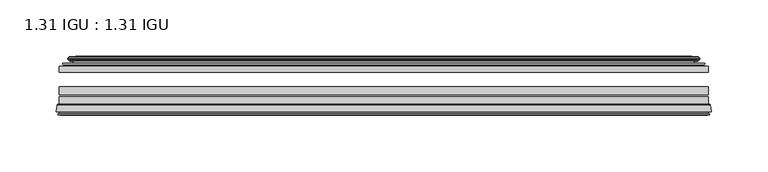
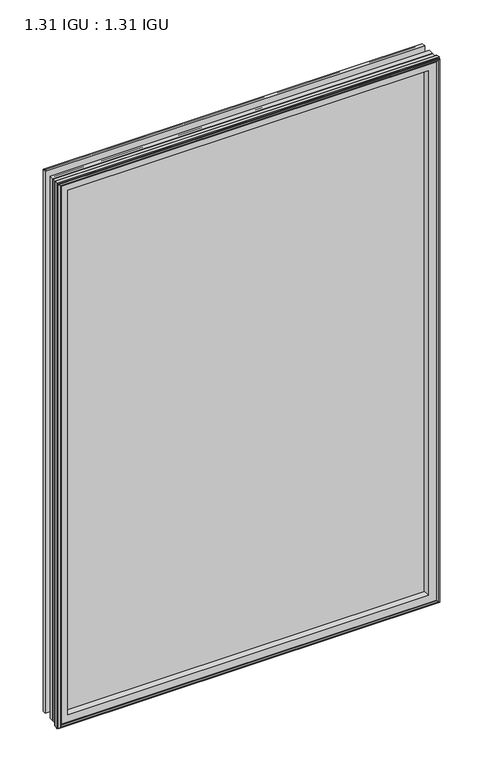
"""IFC4 building model written with IfcOpenShell, lengths in millimetres: plate geometry, 1.31 IGU : 1.31 IGU."""

from ifc_helpers import new_model, si_unit, frame, origin, place, context, project, spatial, polyline, ellipse_curve, outline, extrude, source, transform, mapped, element, save
from ifc_brep_helpers import plane_surface, cylinder_surface, revolved_surface, advanced_brep


def plate_1_31_igu_1_31_igu_87a71be9(model_context):
    return source(origin(), model_context, "Body", "SolidModel", [
        extrude(outline(polyline([(287.3325649, -44.8960875), (287.3325649, -50.4332875), (-287.3375, -50.4332875), (-287.3375, -44.8960875), (287.3325649, -44.8960875)])), frame((0.0, 0.0, -14.2875), z_axis=(0.0, 0.0, 1.0), x_axis=(1.0, 0.0, 0.0)), (0.0, 0.0, 1.0), 868.3488413),
        extrude(outline(polyline([(-287.3375, -78.7796875), (-287.3375, -71.7692875), (287.3325649, -71.7692875), (287.3325649, -78.7796875), (-287.3375, -78.7796875)])), frame((0.0, 0.0, -14.2875), z_axis=(0.0, 0.0, 1.0), x_axis=(1.0, 0.0, 0.0)), (0.0, 0.0, 1.0), 868.3488413),
        extrude(outline(polyline([(-287.3375, -70.2452875), (-287.3375, -63.1332875), (287.3325649, -63.1332875), (287.3325649, -70.2452875), (-287.3375, -70.2452875)])), frame((0.0, 0.0, -14.2875), z_axis=(0.0, 0.0, 1.0), x_axis=(1.0, 0.0, 0.0)), (0.0, 0.0, 1.0), 868.3488413),
        advanced_brep(
        [(-289.8844039, -85.1296875, 856.6082452), (-289.1896201, -79.4711276, 855.9134614), (-289.1896201, -79.4711276, -16.1396201), (-289.8844039, -85.1296875, -16.8344039), (-287.4968039, -87.1207518, 854.2206452), (-287.9540039, -85.1296875, 854.6778452), (-287.9540039, -85.1296875, -14.9040039), (-287.4968039, -87.1207518, -14.4468039), (-288.4981658, -86.8524376, 855.222007), (-288.4981658, -86.8524376, -15.4481658), (-288.7414039, -87.7602147, 855.4652452), (-288.7414039, -87.7602147, -15.6914039), (-286.7094039, -88.3046875, 853.4332452), (-286.7094039, -88.3046875, -13.6594039), (-284.6774039, -87.7602147, 851.4012452), (-284.6774039, -87.7602147, -11.6274039), (-284.9206421, -86.8524376, 851.6444833), (-284.9206421, -86.8524376, -11.8706421), (-285.9220039, -87.1207518, 852.6458452), (-285.9220039, -87.1207518, -12.8720039), (-285.4648039, -85.1296875, 852.1886452), (-285.4648039, -85.1296875, -12.4148039), (-288.4080893, -78.7796875, 855.1319306), (-288.4080893, -78.7796875, -15.3580893), (289.1896201, -79.4711276, -16.1396201), (289.8844039, -85.1296875, -16.8344039), (287.9540039, -85.1296875, -14.9040039), (287.4968039, -87.1207518, -14.4468039), (288.4981658, -86.8524376, -15.4481658), (288.7414039, -87.7602147, -15.6914039), (286.7094039, -88.3046875, -13.6594039), (284.6774039, -87.7602147, -11.6274039), (284.9206421, -86.8524376, -11.8706421), (285.9220039, -87.1207518, -12.8720039), (285.4648039, -85.1296875, -12.4148039), (288.4080893, -78.7796875, -15.3580893), (289.1896201, -79.4711276, 855.9134614), (289.8844039, -85.1296875, 856.6082452), (287.9540039, -85.1296875, 854.6778452), (287.4968039, -87.1207518, 854.2206452), (288.4981658, -86.8524376, 855.222007), (288.7414039, -87.7602147, 855.4652452), (286.7094039, -88.3046875, 853.4332452), (284.6774039, -87.7602147, 851.4012452), (284.9206421, -86.8524376, 851.6444833), (285.9220039, -87.1207518, 852.6458452), (285.4648039, -85.1296875, 852.1886452), (288.4080893, -78.7796875, 855.1319306), (-273.0622131, -85.1296875, 839.7860544), (273.0622131, -85.1296875, 839.7860544), (273.0622131, -85.1296875, -0.0122131), (-273.0622131, -85.1296875, -0.0122131), (-269.7459362, -78.7796875, 3.3040638), (269.7459362, -78.7796875, 3.3040638), (269.7459362, -78.7796875, 836.4697775), (-269.7459362, -78.7796875, 836.4697775)],
        [
            (0, 1),
            (1, 2),
            (2, 3),
            (3, 0),
            (4, 5),
            (5, 6),
            (6, 7),
            (7, 4),
            (8, 4),
            (7, 9),
            (9, 8),
            (10, 8),
            (9, 11),
            (11, 10),
            (12, 10),
            (11, 13),
            (13, 12),
            (14, 12),
            (13, 15),
            (15, 14),
            (16, 14),
            (15, 17),
            (17, 16),
            (18, 16),
            (17, 19),
            (19, 18),
            (20, 18),
            (19, 21),
            (21, 20),
            (1, 22, ellipse_curve(frame((-288.4080893, -79.5670875, 855.1319306), z_axis=(-0.7071067811865475, 0.0, -0.7071067811865475), x_axis=(-0.7071067811865474, 0.0, 0.7071067811865476)), 1.1135518, 0.7874)),
            (22, 23),
            (23, 2, ellipse_curve(frame((-288.4080893, -79.5670875, -15.3580893), z_axis=(-0.7071067811865475, 0.0, 0.7071067811865475), x_axis=(0.7071067811865474, 0.0, 0.7071067811865476)), 1.1135518, 0.7874)),
            (2, 24),
            (24, 25),
            (25, 3),
            (6, 26),
            (26, 27),
            (27, 7),
            (27, 28),
            (28, 9),
            (28, 29),
            (29, 11),
            (29, 30),
            (30, 13),
            (30, 31),
            (31, 15),
            (31, 32),
            (32, 17),
            (32, 33),
            (33, 19),
            (33, 34),
            (34, 21),
            (23, 35),
            (35, 24, ellipse_curve(frame((288.4080893, -79.5670875, -15.3580893), z_axis=(-0.7071067811865475, 0.0, -0.7071067811865475), x_axis=(-0.7071067811865476, 0.0, 0.7071067811865474)), 1.1135518, 0.7874)),
            (24, 36),
            (36, 37),
            (37, 25),
            (26, 38),
            (38, 39),
            (39, 27),
            (39, 40),
            (40, 28),
            (40, 41),
            (41, 29),
            (41, 42),
            (42, 30),
            (42, 43),
            (43, 31),
            (43, 44),
            (44, 32),
            (44, 45),
            (45, 33),
            (45, 46),
            (46, 34),
            (35, 47),
            (47, 36, ellipse_curve(frame((288.4080893, -79.5670875, 855.1319306), z_axis=(0.7071067811865475, 0.0, -0.7071067811865475), x_axis=(-0.7071067811865474, 0.0, -0.7071067811865476)), 1.1135518, 0.7874)),
            (36, 1),
            (0, 37),
            (5, 38),
            (4, 39),
            (8, 40),
            (10, 41),
            (12, 42),
            (14, 43),
            (16, 44),
            (18, 45),
            (20, 46),
            (48, 49),
            (49, 50),
            (50, 51),
            (51, 48),
            (22, 47),
            (52, 53),
            (53, 54),
            (54, 55),
            (55, 52),
            (55, 48, ellipse_curve(frame((-261.8129182, -86.963653, 828.5367595), z_axis=(0.7071067811865475, 0.0, 0.7071067811865475), x_axis=(0.7071067811865474, 0.0, -0.7071067811865476)), 16.118937, 11.3978097)),
            (51, 52, ellipse_curve(frame((-261.8129182, -86.963653, 11.2370818), z_axis=(0.7071067811865475, 0.0, -0.7071067811865475), x_axis=(-0.7071067811865474, 0.0, -0.7071067811865476)), 16.118937, 11.3978097)),
            (50, 53, ellipse_curve(frame((261.8129182, -86.963653, 11.2370818), z_axis=(0.7071067811865475, 0.0, 0.7071067811865475), x_axis=(0.7071067811865476, 0.0, -0.7071067811865474)), 16.118937, 11.3978097)),
            (49, 54, ellipse_curve(frame((261.8129182, -86.963653, 828.5367595), z_axis=(-0.7071067811865475, 0.0, 0.7071067811865475), x_axis=(0.7071067811865474, 0.0, 0.7071067811865476)), 16.118937, 11.3978097)),
        ],
        [
            plane_surface(frame((-289.1896201, -79.4711276, 855.9134614), z_axis=(-0.9925461516413008, 0.12186934340532066, 0.0), x_axis=(0.0, 0.0, -1.0))),
            plane_surface(frame((-287.9540039, -85.1296875, 854.6778452), z_axis=(-0.9746347637895996, -0.22380142361654334, 0.0), x_axis=(0.0, 0.0, -1.0))),
            plane_surface(frame((-287.4968039, -87.1207518, 854.2206452), z_axis=(0.25881904510266784, 0.9659258262890289, 0.0), x_axis=(0.0, 0.0, -1.0))),
            plane_surface(frame((-288.4981658, -86.8524376, 855.222007), z_axis=(-0.9659258262890449, 0.2588190451026083, 0.0), x_axis=(0.0, 0.0, -1.0))),
            plane_surface(frame((-288.7414039, -87.7602147, 855.4652452), z_axis=(-0.2588190451025689, -0.9659258262890554, 0.0), x_axis=(0.0, 0.0, -1.0))),
            plane_surface(frame((-286.7094039, -88.3046875, 853.4332452), z_axis=(0.25881904510241466, -0.9659258262890968, 0.0), x_axis=(0.0, 0.0, -1.0))),
            plane_surface(frame((-284.6774039, -87.7602147, 851.4012452), z_axis=(0.9659258262890272, 0.25881904510267406, 0.0), x_axis=(0.0, 0.0, -1.0))),
            plane_surface(frame((-284.9206421, -86.8524376, 851.6444833), z_axis=(-0.25881904510234177, 0.9659258262891163, 0.0), x_axis=(0.0, 0.0, -1.0))),
            plane_surface(frame((-285.9220039, -87.1207518, 852.6458452), z_axis=(0.9746347637895937, -0.22380142361656946, 0.0), x_axis=(0.0, 0.0, -1.0))),
            cylinder_surface(frame((-288.4080893, -79.5670875, 871.5238413), z_axis=(0.0, 0.0, 1.0), x_axis=(-1.0, 0.0, 0.0)), 0.7874),
            plane_surface(frame((-289.1896201, -79.4711276, -16.1396201), z_axis=(0.0, 0.12186934340531747, -0.9925461516413012), x_axis=(1.0, 0.0, 0.0))),
            plane_surface(frame((-287.9540039, -85.1296875, -14.9040039), z_axis=(0.0, -0.22380142361654648, -0.9746347637895989), x_axis=(1.0, 0.0, 0.0))),
            plane_surface(frame((-287.4968039, -87.1207518, -14.4468039), z_axis=(0.0, 0.9659258262890298, 0.25881904510266474), x_axis=(1.0, 0.0, 0.0))),
            plane_surface(frame((-288.4981658, -86.8524376, -15.4481658), z_axis=(0.0, 0.25881904510260517, -0.9659258262890458), x_axis=(1.0, 0.0, 0.0))),
            plane_surface(frame((-288.7414039, -87.7602147, -15.6914039), z_axis=(0.0, -0.9659258262890563, -0.2588190451025658), x_axis=(1.0, 0.0, 0.0))),
            plane_surface(frame((-286.7094039, -88.3046875, -13.6594039), z_axis=(0.0, -0.965925826289096, 0.25881904510241777), x_axis=(1.0, 0.0, 0.0))),
            plane_surface(frame((-284.6774039, -87.7602147, -11.6274039), z_axis=(0.0, 0.2588190451026772, 0.9659258262890265), x_axis=(1.0, 0.0, 0.0))),
            plane_surface(frame((-284.9206421, -86.8524376, -11.8706421), z_axis=(0.0, 0.9659258262891154, -0.2588190451023449), x_axis=(1.0, 0.0, 0.0))),
            plane_surface(frame((-285.9220039, -87.1207518, -12.8720039), z_axis=(0.0, -0.22380142361656633, 0.9746347637895943), x_axis=(1.0, 0.0, 0.0))),
            cylinder_surface(frame((-304.8, -79.5670875, -15.3580893), z_axis=(-1.0, 0.0, 0.0), x_axis=(0.0, 0.0, -1.0)), 0.7874),
            plane_surface(frame((289.1896201, -79.4711276, -16.1396201), z_axis=(0.9925461516413017, 0.12186934340531427, 0.0), x_axis=(0.0, 0.0, 1.0))),
            plane_surface(frame((287.9540039, -85.1296875, -14.9040039), z_axis=(0.9746347637895982, -0.22380142361654962, 0.0), x_axis=(0.0, 0.0, 1.0))),
            plane_surface(frame((287.4968039, -87.1207518, -14.4468039), z_axis=(-0.2588190451026616, 0.9659258262890307, 0.0), x_axis=(0.0, 0.0, 1.0))),
            plane_surface(frame((288.4981658, -86.8524376, -15.4481658), z_axis=(0.9659258262890467, 0.25881904510260206, 0.0), x_axis=(0.0, 0.0, 1.0))),
            plane_surface(frame((288.7414039, -87.7602147, -15.6914039), z_axis=(0.2588190451025627, -0.9659258262890572, 0.0), x_axis=(0.0, 0.0, 1.0))),
            plane_surface(frame((286.7094039, -88.3046875, -13.6594039), z_axis=(-0.2588190451024209, -0.9659258262890951, 0.0), x_axis=(0.0, 0.0, 1.0))),
            plane_surface(frame((284.6774039, -87.7602147, -11.6274039), z_axis=(-0.9659258262890256, 0.25881904510268033, 0.0), x_axis=(0.0, 0.0, 1.0))),
            plane_surface(frame((284.9206421, -86.8524376, -11.8706421), z_axis=(0.25881904510234804, 0.9659258262891146, 0.0), x_axis=(0.0, 0.0, 1.0))),
            plane_surface(frame((285.9220039, -87.1207518, -12.8720039), z_axis=(-0.974634763789595, -0.2238014236165632, 0.0), x_axis=(0.0, 0.0, 1.0))),
            cylinder_surface(frame((288.4080893, -79.5670875, -31.75), z_axis=(0.0, 0.0, -1.0), x_axis=(1.0, 0.0, 0.0)), 0.7874),
            plane_surface(frame((289.1896201, -79.4711276, 855.9134614), z_axis=(0.0, 0.12186934340531747, 0.9925461516413012), x_axis=(-1.0, 0.0, 0.0))),
            plane_surface(frame((289.8844039, -85.1296875, 856.6082452), z_axis=(0.0, -1.0, 0.0), x_axis=(-1.0, 0.0, 0.0))),
            plane_surface(frame((287.9540039, -85.1296875, 854.6778452), z_axis=(0.0, -0.22380142361654648, 0.9746347637895989), x_axis=(-1.0, 0.0, 0.0))),
            plane_surface(frame((287.4968039, -87.1207518, 854.2206452), z_axis=(0.0, 0.9659258262890298, -0.25881904510266474), x_axis=(-1.0, 0.0, 0.0))),
            plane_surface(frame((288.4981658, -86.8524376, 855.222007), z_axis=(0.0, 0.25881904510260517, 0.9659258262890458), x_axis=(-1.0, 0.0, 0.0))),
            plane_surface(frame((288.7414039, -87.7602147, 855.4652452), z_axis=(0.0, -0.9659258262890563, 0.2588190451025658), x_axis=(-1.0, 0.0, 0.0))),
            plane_surface(frame((286.7094039, -88.3046875, 853.4332452), z_axis=(0.0, -0.965925826289096, -0.25881904510241777), x_axis=(-1.0, 0.0, 0.0))),
            plane_surface(frame((284.6774039, -87.7602147, 851.4012452), z_axis=(0.0, 0.2588190451026772, -0.9659258262890265), x_axis=(-1.0, 0.0, 0.0))),
            plane_surface(frame((284.9206421, -86.8524376, 851.6444833), z_axis=(0.0, 0.9659258262891155, 0.25881904510234494), x_axis=(-1.0, 0.0, 0.0))),
            plane_surface(frame((285.9220039, -87.1207518, 852.6458452), z_axis=(0.0, -0.22380142361656633, -0.9746347637895943), x_axis=(-1.0, 0.0, 0.0))),
            plane_surface(frame((285.4648039, -85.1296875, 852.1886452), z_axis=(0.0, -1.0, 0.0), x_axis=(-1.0, 0.0, 0.0))),
            plane_surface(frame((269.7459362, -78.7796875, 836.4697775), z_axis=(0.0, 1.0, 0.0), x_axis=(-1.0, 0.0, 0.0))),
            cylinder_surface(frame((304.8, -79.5670875, 855.1319306), z_axis=(1.0, 0.0, 0.0), x_axis=(0.0, 0.0, 1.0)), 0.7874),
            revolved_surface(polyline([(-273.2107279, -86.963653, -0.1607278582187064), (-273.2107279, -86.963653, 839.9345691582188)]), (-261.8129182, -86.963653, 871.5238413), (0.0, 0.0, -1.0)),
            revolved_surface(polyline([(273.2107278582187, -86.963653, -0.16072789999999948), (-273.2107278582188, -86.963653, -0.16072789999999948)]), (-304.8, -86.963653, 11.2370818), (1.0, 0.0, 0.0)),
            revolved_surface(polyline([(273.2107279, -86.963653, 839.9345691582188), (273.2107279, -86.963653, -0.16072785821874191)]), (261.8129182, -86.963653, -31.75), (0.0, 0.0, 1.0)),
            revolved_surface(polyline([(-273.2107278582187, -86.963653, 839.9345692), (273.2107278582188, -86.963653, 839.9345692)]), (304.8, -86.963653, 828.5367595), (-1.0, 0.0, 0.0)),
        ],
        [
            (0, [[1, 2, 3, 4]]),
            (1, [[5, 6, 7, 8]]),
            (2, [[9, -8, 10, 11]]),
            (3, [[12, -11, 13, 14]]),
            (4, [[15, -14, 16, 17]]),
            (5, [[18, -17, 19, 20]]),
            (6, [[21, -20, 22, 23]]),
            (7, [[24, -23, 25, 26]]),
            (8, [[27, -26, 28, 29]]),
            (9, [[30, 31, 32, -2]]),
            (10, [[-3, 33, 34, 35]]),
            (11, [[-7, 36, 37, 38]]),
            (12, [[-10, -38, 39, 40]]),
            (13, [[-13, -40, 41, 42]]),
            (14, [[-16, -42, 43, 44]]),
            (15, [[-19, -44, 45, 46]]),
            (16, [[-22, -46, 47, 48]]),
            (17, [[-25, -48, 49, 50]]),
            (18, [[-28, -50, 51, 52]]),
            (19, [[-32, 53, 54, -33]]),
            (20, [[-34, 55, 56, 57]]),
            (21, [[-37, 58, 59, 60]]),
            (22, [[-39, -60, 61, 62]]),
            (23, [[-41, -62, 63, 64]]),
            (24, [[-43, -64, 65, 66]]),
            (25, [[-45, -66, 67, 68]]),
            (26, [[-47, -68, 69, 70]]),
            (27, [[-49, -70, 71, 72]]),
            (28, [[-51, -72, 73, 74]]),
            (29, [[-54, 75, 76, -55]]),
            (30, [[-56, 77, -1, 78]]),
            (31, [[-35, -57, -78, -4], [79, -58, -36, -6]]),
            (32, [[-59, -79, -5, 80]]),
            (33, [[-61, -80, -9, 81]]),
            (34, [[-63, -81, -12, 82]]),
            (35, [[-65, -82, -15, 83]]),
            (36, [[-67, -83, -18, 84]]),
            (37, [[-69, -84, -21, 85]]),
            (38, [[-71, -85, -24, 86]]),
            (39, [[-73, -86, -27, 87]]),
            (40, [[-52, -74, -87, -29], [88, 89, 90, 91]]),
            (41, [[92, -75, -53, -31], [93, 94, 95, 96]]),
            (42, [[-76, -92, -30, -77]]),
            (43, [[97, -91, 98, -96]]),
            (44, [[-98, -90, 99, -93]]),
            (45, [[-99, -89, 100, -94]]),
            (46, [[-100, -88, -97, -95]]),
        ],
    ),
        advanced_brep(
        [(-277.9921755, -37.7373382, 844.7160167), (-273.0505426, -36.3108875, 839.7743838), (-273.0505426, -36.3108875, -0.0005426), (-277.9921755, -37.7373382, -4.9421755), (-277.8270702, -36.9605789, 844.5509115), (-277.8270702, -36.9605789, -4.7770702), (-278.4225559, -36.4771203, 845.1463972), (-278.4225559, -36.4771203, -5.3725559), (-279.6871917, -37.766076, 846.411033), (-279.6871917, -37.766076, -6.6371917), (-279.6763749, -38.8797852, 846.4002162), (-279.6763749, -38.8797852, -6.6263749), (-278.3948897, -40.1361433, 845.118731), (-278.3948897, -40.1361433, -5.3448897), (-277.7898829, -39.649943, 844.5137242), (-277.7898829, -39.649943, -4.7398829), (-278.3438972, -39.0959287, 845.0677384), (-278.3438972, -39.0959287, -5.2938972), (-276.0580887, -38.7029881, 842.78193), (-276.0580887, -38.7029881, -3.0080887), (-274.5990157, -40.2107282, 841.3228569), (-274.5990157, -40.2107282, -1.5490157), (-274.8955976, -41.651269, 841.6194389), (-274.8955976, -41.651269, -1.8455976), (-275.6668221, -42.2798875, 842.3906633), (-275.6668221, -42.2798875, -2.6168221), (-283.9707984, -43.4871542, 850.6946396), (-283.6955969, -42.2798875, 850.4194382), (-283.6955969, -42.2798875, -10.6455969), (-283.9707984, -43.4871542, -10.9207984), (-280.5132297, -44.8960875, 847.237071), (-280.5132297, -44.8960875, -7.4632297), (-269.4156059, -44.023302, 836.1394472), (-269.7709439, -44.8960875, 836.4947851), (-269.7709439, -44.8960875, 3.2790561), (-269.4156059, -44.023302, 3.6343941), (-270.086804, -43.3681812, 836.8106452), (-270.086804, -43.3681812, 2.963196), (-271.7275946, -40.6686056, 838.4514358), (-271.7275946, -40.6686056, 1.3224054), (273.0505426, -36.3108875, -0.0005426), (277.9921755, -37.7373382, -4.9421755), (277.8270702, -36.9605789, -4.7770702), (278.4225559, -36.4771203, -5.3725559), (279.6871917, -37.766076, -6.6371917), (279.6763749, -38.8797852, -6.6263749), (278.3948897, -40.1361433, -5.3448897), (277.7898829, -39.649943, -4.7398829), (278.3438972, -39.0959287, -5.2938972), (276.0580887, -38.7029881, -3.0080887), (274.5990157, -40.2107282, -1.5490157), (274.8955976, -41.651269, -1.8455976), (275.6668221, -42.2798875, -2.6168221), (283.6955969, -42.2798875, -10.6455969), (283.9707984, -43.4871542, -10.9207984), (280.5132297, -44.8960875, -7.4632297), (269.7709439, -44.8960875, 3.2790561), (269.4156059, -44.023302, 3.6343941), (270.086804, -43.3681812, 2.963196), (271.7275946, -40.6686056, 1.3224054), (273.0505426, -36.3108875, 839.7743838), (277.9921755, -37.7373382, 844.7160167), (277.8270702, -36.9605789, 844.5509115), (278.4225559, -36.4771203, 845.1463972), (279.6871917, -37.766076, 846.411033), (279.6763749, -38.8797852, 846.4002162), (278.3948897, -40.1361433, 845.118731), (277.7898829, -39.649943, 844.5137242), (278.3438972, -39.0959287, 845.0677384), (276.0580887, -38.7029881, 842.78193), (274.5990157, -40.2107282, 841.3228569), (274.8955976, -41.651269, 841.6194389), (275.6668221, -42.2798875, 842.3906633), (283.6955969, -42.2798875, 850.4194382), (283.9707984, -43.4871542, 850.6946396), (280.5132297, -44.8960875, 847.237071), (269.7709439, -44.8960875, 836.4947851), (269.4156059, -44.023302, 836.1394472), (270.086804, -43.3681812, 836.8106452), (271.7275946, -40.6686056, 838.4514358)],
        [
            (0, 1),
            (1, 2),
            (2, 3),
            (3, 0),
            (4, 0),
            (3, 5),
            (5, 4),
            (6, 4, ellipse_curve(frame((-278.1475871, -36.746901, 844.8714284), z_axis=(-0.7071067811865475, 0.0, -0.7071067811865475), x_axis=(-0.7071067811865474, 0.0, 0.7071067811865476)), 0.5447741, 0.3852135)),
            (5, 7, ellipse_curve(frame((-278.1475871, -36.746901, -5.0975871), z_axis=(-0.7071067811865475, 0.0, 0.7071067811865475), x_axis=(0.7071067811865474, 0.0, 0.7071067811865476)), 0.5447741, 0.3852135)),
            (7, 6),
            (8, 6),
            (7, 9),
            (9, 8),
            (10, 8, ellipse_curve(frame((-279.1251387, -38.3175243, 845.8489799), z_axis=(-0.7071067811865475, 0.0, -0.7071067811865475), x_axis=(-0.7071067811865474, 0.0, 0.7071067811865476)), 1.1135518, 0.7874)),
            (9, 11, ellipse_curve(frame((-279.1251387, -38.3175243, -6.0751387), z_axis=(-0.7071067811865475, 0.0, 0.7071067811865475), x_axis=(0.7071067811865474, 0.0, 0.7071067811865476)), 1.1135518, 0.7874)),
            (11, 10),
            (12, 10),
            (11, 13),
            (13, 12),
            (14, 12, ellipse_curve(frame((-278.1212922, -39.8570738, 844.8451335), z_axis=(-0.7071067811865475, 0.0, -0.7071067811865475), x_axis=(-0.7071067811865474, 0.0, 0.7071067811865476)), 0.552694, 0.3908137)),
            (13, 15, ellipse_curve(frame((-278.1212922, -39.8570738, -5.0712922), z_axis=(-0.7071067811865475, 0.0, 0.7071067811865475), x_axis=(0.7071067811865474, 0.0, 0.7071067811865476)), 0.552694, 0.3908137)),
            (15, 14),
            (16, 14),
            (15, 17),
            (17, 16),
            (18, 16),
            (17, 19),
            (19, 18),
            (20, 18, ellipse_curve(frame((-275.8429261, -39.954629, 842.5667674), z_axis=(0.7071067811865475, 0.0, 0.7071067811865475), x_axis=(0.7071067811865474, 0.0, -0.7071067811865476)), 1.7960512, 1.27)),
            (19, 21, ellipse_curve(frame((-275.8429261, -39.954629, -2.7929261), z_axis=(0.7071067811865475, 0.0, -0.7071067811865475), x_axis=(-0.7071067811865474, 0.0, -0.7071067811865476)), 1.7960512, 1.27)),
            (21, 20),
            (22, 20),
            (21, 23),
            (23, 22),
            (24, 22, ellipse_curve(frame((-275.6668221, -41.4924875, 842.3906633), z_axis=(0.7071067811865475, 0.0, 0.7071067811865475), x_axis=(0.7071067811865474, 0.0, -0.7071067811865476)), 1.1135518, 0.7874)),
            (23, 25, ellipse_curve(frame((-275.6668221, -41.4924875, -2.6168221), z_axis=(0.7071067811865475, 0.0, -0.7071067811865475), x_axis=(-0.7071067811865474, 0.0, -0.7071067811865476)), 1.1135518, 0.7874)),
            (25, 24),
            (26, 27, ellipse_curve(frame((-283.6955969, -42.9148875, 850.4194382), z_axis=(-0.7071067811865475, 0.0, -0.7071067811865475), x_axis=(-0.7071067811865474, 0.0, 0.7071067811865476)), 0.8980256, 0.635)),
            (27, 28),
            (28, 29, ellipse_curve(frame((-283.6955969, -42.9148875, -10.6455969), z_axis=(-0.7071067811865475, 0.0, 0.7071067811865475), x_axis=(0.7071067811865474, 0.0, 0.7071067811865476)), 0.8980256, 0.635)),
            (29, 26),
            (30, 26),
            (29, 31),
            (31, 30),
            (32, 33, ellipse_curve(frame((-269.7709439, -44.3873602, 836.4947851), z_axis=(-0.7071067811865475, 0.0, -0.7071067811865475), x_axis=(-0.7071067811865474, 0.0, 0.7071067811865476)), 0.719449, 0.5087273)),
            (33, 34),
            (34, 35, ellipse_curve(frame((-269.7709439, -44.3873602, 3.2790561), z_axis=(-0.7071067811865475, 0.0, 0.7071067811865475), x_axis=(0.7071067811865474, 0.0, 0.7071067811865476)), 0.719449, 0.5087273)),
            (35, 32),
            (36, 32),
            (35, 37),
            (37, 36),
            (38, 36, ellipse_curve(frame((-265.6514298, -38.823959, 832.375271), z_axis=(0.7071067811865475, 0.0, 0.7071067811865475), x_axis=(0.7071067811865474, 0.0, -0.7071067811865476)), 8.9802561, 6.35)),
            (37, 39, ellipse_curve(frame((-265.6514298, -38.823959, 7.3985702), z_axis=(0.7071067811865475, 0.0, -0.7071067811865475), x_axis=(-0.7071067811865474, 0.0, -0.7071067811865476)), 8.9802561, 6.35)),
            (39, 38),
            (1, 38),
            (39, 2),
            (2, 40),
            (40, 41),
            (41, 3),
            (41, 42),
            (42, 5),
            (42, 43, ellipse_curve(frame((278.1475871, -36.746901, -5.0975871), z_axis=(-0.7071067811865475, 0.0, -0.7071067811865475), x_axis=(-0.7071067811865476, 0.0, 0.7071067811865474)), 0.5447741, 0.3852135)),
            (43, 7),
            (43, 44),
            (44, 9),
            (44, 45, ellipse_curve(frame((279.1251387, -38.3175243, -6.0751387), z_axis=(-0.7071067811865475, 0.0, -0.7071067811865475), x_axis=(-0.7071067811865476, 0.0, 0.7071067811865474)), 1.1135518, 0.7874)),
            (45, 11),
            (45, 46),
            (46, 13),
            (46, 47, ellipse_curve(frame((278.1212922, -39.8570738, -5.0712922), z_axis=(-0.7071067811865475, 0.0, -0.7071067811865475), x_axis=(-0.7071067811865476, 0.0, 0.7071067811865474)), 0.552694, 0.3908137)),
            (47, 15),
            (47, 48),
            (48, 17),
            (48, 49),
            (49, 19),
            (49, 50, ellipse_curve(frame((275.8429261, -39.954629, -2.7929261), z_axis=(0.7071067811865475, 0.0, 0.7071067811865475), x_axis=(0.7071067811865476, 0.0, -0.7071067811865474)), 1.7960512, 1.27)),
            (50, 21),
            (50, 51),
            (51, 23),
            (51, 52, ellipse_curve(frame((275.6668221, -41.4924875, -2.6168221), z_axis=(0.7071067811865475, 0.0, 0.7071067811865475), x_axis=(0.7071067811865476, 0.0, -0.7071067811865474)), 1.1135518, 0.7874)),
            (52, 25),
            (28, 53),
            (53, 54, ellipse_curve(frame((283.6955969, -42.9148875, -10.6455969), z_axis=(-0.7071067811865475, 0.0, -0.7071067811865475), x_axis=(-0.7071067811865476, 0.0, 0.7071067811865474)), 0.8980256, 0.635)),
            (54, 29),
            (54, 55),
            (55, 31),
            (34, 56),
            (56, 57, ellipse_curve(frame((269.7709439, -44.3873602, 3.2790561), z_axis=(-0.7071067811865475, 0.0, -0.7071067811865475), x_axis=(-0.7071067811865476, 0.0, 0.7071067811865474)), 0.719449, 0.5087273)),
            (57, 35),
            (57, 58),
            (58, 37),
            (58, 59, ellipse_curve(frame((265.6514298, -38.823959, 7.3985702), z_axis=(0.7071067811865475, 0.0, 0.7071067811865475), x_axis=(0.7071067811865476, 0.0, -0.7071067811865474)), 8.9802561, 6.35)),
            (59, 39),
            (59, 40),
            (40, 60),
            (60, 61),
            (61, 41),
            (61, 62),
            (62, 42),
            (62, 63, ellipse_curve(frame((278.1475871, -36.746901, 844.8714284), z_axis=(0.7071067811865475, 0.0, -0.7071067811865475), x_axis=(-0.7071067811865474, 0.0, -0.7071067811865476)), 0.5447741, 0.3852135)),
            (63, 43),
            (63, 64),
            (64, 44),
            (64, 65, ellipse_curve(frame((279.1251387, -38.3175243, 845.8489799), z_axis=(0.7071067811865475, 0.0, -0.7071067811865475), x_axis=(-0.7071067811865474, 0.0, -0.7071067811865476)), 1.1135518, 0.7874)),
            (65, 45),
            (65, 66),
            (66, 46),
            (66, 67, ellipse_curve(frame((278.1212922, -39.8570738, 844.8451335), z_axis=(0.7071067811865475, 0.0, -0.7071067811865475), x_axis=(-0.7071067811865474, 0.0, -0.7071067811865476)), 0.552694, 0.3908137)),
            (67, 47),
            (67, 68),
            (68, 48),
            (68, 69),
            (69, 49),
            (69, 70, ellipse_curve(frame((275.8429261, -39.954629, 842.5667674), z_axis=(-0.7071067811865475, 0.0, 0.7071067811865475), x_axis=(0.7071067811865474, 0.0, 0.7071067811865476)), 1.7960512, 1.27)),
            (70, 50),
            (70, 71),
            (71, 51),
            (71, 72, ellipse_curve(frame((275.6668221, -41.4924875, 842.3906633), z_axis=(-0.7071067811865475, 0.0, 0.7071067811865475), x_axis=(0.7071067811865474, 0.0, 0.7071067811865476)), 1.1135518, 0.7874)),
            (72, 52),
            (53, 73),
            (73, 74, ellipse_curve(frame((283.6955969, -42.9148875, 850.4194382), z_axis=(0.7071067811865475, 0.0, -0.7071067811865475), x_axis=(-0.7071067811865474, 0.0, -0.7071067811865476)), 0.8980256, 0.635)),
            (74, 54),
            (74, 75),
            (75, 55),
            (56, 76),
            (76, 77, ellipse_curve(frame((269.7709439, -44.3873602, 836.4947851), z_axis=(0.7071067811865475, 0.0, -0.7071067811865475), x_axis=(-0.7071067811865474, 0.0, -0.7071067811865476)), 0.719449, 0.5087273)),
            (77, 57),
            (77, 78),
            (78, 58),
            (78, 79, ellipse_curve(frame((265.6514298, -38.823959, 832.375271), z_axis=(-0.7071067811865475, 0.0, 0.7071067811865475), x_axis=(0.7071067811865474, 0.0, 0.7071067811865476)), 8.9802561, 6.35)),
            (79, 59),
            (79, 60),
            (60, 1),
            (0, 61),
            (4, 62),
            (6, 63),
            (8, 64),
            (10, 65),
            (12, 66),
            (14, 67),
            (16, 68),
            (18, 69),
            (20, 70),
            (22, 71),
            (24, 72),
            (27, 73),
            (26, 74),
            (30, 75),
            (33, 76),
            (32, 77),
            (36, 78),
            (38, 79),
        ],
        [
            plane_surface(frame((-273.0505426, -36.3108875, 839.7743838), z_axis=(-0.27733649284928463, 0.9607728502273879, 0.0), x_axis=(0.0, 0.0, -1.0))),
            plane_surface(frame((-277.9921755, -37.7373382, 844.7160167), z_axis=(0.9781476007338358, -0.20791169081761768, 0.0), x_axis=(0.0, 0.0, -1.0))),
            cylinder_surface(frame((-278.1475871, -36.746901, 871.5238413), z_axis=(0.0, 0.0, 1.0), x_axis=(-1.0, 0.0, 0.0)), 0.3852135),
            plane_surface(frame((-278.4225559, -36.4771203, 845.1463972), z_axis=(-0.7138087599382162, 0.7003406701280928, 0.0), x_axis=(0.0, 0.0, -1.0))),
            cylinder_surface(frame((-279.1251387, -38.3175243, 871.5238413), z_axis=(0.0, 0.0, 1.0), x_axis=(-1.0, 0.0, 0.0)), 0.7874),
            plane_surface(frame((-279.6763749, -38.8797852, 846.4002162), z_axis=(-0.7000714109283732, -0.7140728391423082, 0.0), x_axis=(0.0, 0.0, -1.0))),
            cylinder_surface(frame((-278.1212922, -39.8570738, 871.5238413), z_axis=(0.0, 0.0, 1.0), x_axis=(-1.0, 0.0, 0.0)), 0.3908137),
            plane_surface(frame((-277.7898829, -39.649943, 844.5137242), z_axis=(0.7071067811861126, 0.7071067811869826, 0.0), x_axis=(0.0, 0.0, -1.0))),
            plane_surface(frame((-278.3438972, -39.0959287, 845.0677384), z_axis=(0.16941940671011485, -0.9855440449974789, 0.0), x_axis=(0.0, 0.0, -1.0))),
            revolved_surface(polyline([(-277.1129261, -39.954629, -4.0629260828783345), (-277.1129261, -39.954629, 843.8367673828783)]), (-275.8429261, -39.954629, 871.5238413), (0.0, 0.0, -1.0)),
            plane_surface(frame((-274.5990157, -40.2107282, 841.3228569), z_axis=(-0.9794570432566897, 0.201652920670302, 0.0), x_axis=(0.0, 0.0, -1.0))),
            revolved_surface(polyline([(-276.4542221, -41.4924875, -3.4042221289824965), (-276.4542221, -41.4924875, 843.1780633289825)]), (-275.6668221, -41.4924875, 871.5238413), (0.0, 0.0, -1.0)),
            cylinder_surface(frame((-283.6955969, -42.9148875, 871.5238413), z_axis=(0.0, 0.0, 1.0), x_axis=(-1.0, 0.0, 0.0)), 0.635),
            plane_surface(frame((-283.9707984, -43.4871542, 850.6946396), z_axis=(-0.37736447542757934, -0.9260648209954139, 0.0), x_axis=(0.0, 0.0, -1.0))),
            cylinder_surface(frame((-269.7709439, -44.3873602, 871.5238413), z_axis=(0.0, 0.0, 1.0), x_axis=(-1.0, 0.0, 0.0)), 0.5087273),
            plane_surface(frame((-269.4156059, -44.023302, 836.1394472), z_axis=(0.698484125849927, 0.7156255486884628, 0.0), x_axis=(0.0, 0.0, -1.0))),
            revolved_surface(polyline([(-272.00142980000004, -38.823959, 1.0485702148981773), (-272.00142980000004, -38.823959, 838.7252709851018)]), (-265.6514298, -38.823959, 871.5238413), (0.0, 0.0, -1.0)),
            plane_surface(frame((-271.7275946, -40.6686056, 838.4514358), z_axis=(0.9568763473517009, 0.2904955350411896, 0.0), x_axis=(0.0, 0.0, -1.0))),
            plane_surface(frame((-273.0505426, -36.3108875, -0.0005426), z_axis=(0.0, 0.960772850227387, -0.27733649284928774), x_axis=(1.0, 0.0, 0.0))),
            plane_surface(frame((-277.9921755, -37.7373382, -4.9421755), z_axis=(0.0, -0.20791169081761454, 0.9781476007338364), x_axis=(1.0, 0.0, 0.0))),
            cylinder_surface(frame((-304.8, -36.746901, -5.0975871), z_axis=(-1.0, 0.0, 0.0), x_axis=(0.0, 0.0, -1.0)), 0.3852135),
            plane_surface(frame((-278.4225559, -36.4771203, -5.3725559), z_axis=(0.0, 0.7003406701280904, -0.7138087599382185), x_axis=(1.0, 0.0, 0.0))),
            cylinder_surface(frame((-304.8, -38.3175243, -6.0751387), z_axis=(-1.0, 0.0, 0.0), x_axis=(0.0, 0.0, -1.0)), 0.7874),
            plane_surface(frame((-279.6763749, -38.8797852, -6.6263749), z_axis=(0.0, -0.7140728391423105, -0.7000714109283709), x_axis=(1.0, 0.0, 0.0))),
            cylinder_surface(frame((-304.8, -39.8570738, -5.0712922), z_axis=(-1.0, 0.0, 0.0), x_axis=(0.0, 0.0, -1.0)), 0.3908137),
            plane_surface(frame((-277.7898829, -39.649943, -4.7398829), z_axis=(0.0, 0.7071067811869849, 0.7071067811861103), x_axis=(1.0, 0.0, 0.0))),
            plane_surface(frame((-278.3438972, -39.0959287, -5.2938972), z_axis=(0.0, -0.9855440449974784, 0.16941940671011801), x_axis=(1.0, 0.0, 0.0))),
            revolved_surface(polyline([(277.11292608287835, -39.954629, -4.0629261), (-277.11292608287823, -39.954629, -4.0629261)]), (-304.8, -39.954629, -2.7929261), (1.0, 0.0, 0.0)),
            plane_surface(frame((-274.5990157, -40.2107282, -1.5490157), z_axis=(0.0, 0.20165292067029883, -0.9794570432566904), x_axis=(1.0, 0.0, 0.0))),
            revolved_surface(polyline([(276.4542221289824, -41.4924875, -3.4042220999999997), (-276.45422212898245, -41.4924875, -3.4042220999999997)]), (-304.8, -41.4924875, -2.6168221), (1.0, 0.0, 0.0)),
            cylinder_surface(frame((-304.8, -42.9148875, -10.6455969), z_axis=(-1.0, 0.0, 0.0), x_axis=(0.0, 0.0, -1.0)), 0.635),
            plane_surface(frame((-283.9707984, -43.4871542, -10.9207984), z_axis=(0.0, -0.9260648209954151, -0.37736447542757634), x_axis=(1.0, 0.0, 0.0))),
            cylinder_surface(frame((-304.8, -44.3873602, 3.2790561), z_axis=(-1.0, 0.0, 0.0), x_axis=(0.0, 0.0, -1.0)), 0.5087273),
            plane_surface(frame((-269.4156059, -44.023302, 3.6343941), z_axis=(0.0, 0.7156255486884651, 0.6984841258499247), x_axis=(1.0, 0.0, 0.0))),
            revolved_surface(polyline([(272.00142978510183, -38.823959, 1.0485702000000003), (-272.0014297851019, -38.823959, 1.0485702000000003)]), (-304.8, -38.823959, 7.3985702), (1.0, 0.0, 0.0)),
            plane_surface(frame((-271.7275946, -40.6686056, 1.3224054), z_axis=(0.0, 0.29049553504119263, 0.9568763473517), x_axis=(1.0, 0.0, 0.0))),
            plane_surface(frame((273.0505426, -36.3108875, -0.0005426), z_axis=(0.27733649284929085, 0.9607728502273861, 0.0), x_axis=(0.0, 0.0, 1.0))),
            plane_surface(frame((277.9921755, -37.7373382, -4.9421755), z_axis=(-0.9781476007338371, -0.2079116908176114, 0.0), x_axis=(0.0, 0.0, 1.0))),
            cylinder_surface(frame((278.1475871, -36.746901, -31.75), z_axis=(0.0, 0.0, -1.0), x_axis=(1.0, 0.0, 0.0)), 0.3852135),
            plane_surface(frame((278.4225559, -36.4771203, -5.3725559), z_axis=(0.7138087599382208, 0.7003406701280882, 0.0), x_axis=(0.0, 0.0, 1.0))),
            cylinder_surface(frame((279.1251387, -38.3175243, -31.75), z_axis=(0.0, 0.0, -1.0), x_axis=(1.0, 0.0, 0.0)), 0.7874),
            plane_surface(frame((279.6763749, -38.8797852, -6.6263749), z_axis=(0.7000714109283687, -0.7140728391423128, 0.0), x_axis=(0.0, 0.0, 1.0))),
            cylinder_surface(frame((278.1212922, -39.8570738, -31.75), z_axis=(0.0, 0.0, -1.0), x_axis=(1.0, 0.0, 0.0)), 0.3908137),
            plane_surface(frame((277.7898829, -39.649943, -4.7398829), z_axis=(-0.7071067811861079, 0.7071067811869872, 0.0), x_axis=(0.0, 0.0, 1.0))),
            plane_surface(frame((278.3438972, -39.0959287, -5.2938972), z_axis=(-0.16941940671012118, -0.9855440449974778, 0.0), x_axis=(0.0, 0.0, 1.0))),
            revolved_surface(polyline([(277.1129261, -39.954629, 843.8367673828783), (277.1129261, -39.954629, -4.062926082878235)]), (275.8429261, -39.954629, -31.75), (0.0, 0.0, 1.0)),
            plane_surface(frame((274.5990157, -40.2107282, -1.5490157), z_axis=(0.979457043256691, 0.20165292067029567, 0.0), x_axis=(0.0, 0.0, 1.0))),
            revolved_surface(polyline([(276.4542221, -41.4924875, 843.1780633289825), (276.4542221, -41.4924875, -3.404222128982486)]), (275.6668221, -41.4924875, -31.75), (0.0, 0.0, 1.0)),
            cylinder_surface(frame((283.6955969, -42.9148875, -31.75), z_axis=(0.0, 0.0, -1.0), x_axis=(1.0, 0.0, 0.0)), 0.635),
            plane_surface(frame((283.9707984, -43.4871542, -10.9207984), z_axis=(0.37736447542757334, -0.9260648209954163, 0.0), x_axis=(0.0, 0.0, 1.0))),
            cylinder_surface(frame((269.7709439, -44.3873602, -31.75), z_axis=(0.0, 0.0, -1.0), x_axis=(1.0, 0.0, 0.0)), 0.5087273),
            plane_surface(frame((269.4156059, -44.023302, 3.6343941), z_axis=(-0.6984841258499224, 0.7156255486884673, 0.0), x_axis=(0.0, 0.0, 1.0))),
            revolved_surface(polyline([(272.00142980000004, -38.823959, 838.7252709851018), (272.00142980000004, -38.823959, 1.0485702148981417)]), (265.6514298, -38.823959, -31.75), (0.0, 0.0, 1.0)),
            plane_surface(frame((271.7275946, -40.6686056, 1.3224054), z_axis=(-0.9568763473516991, 0.2904955350411957, 0.0), x_axis=(0.0, 0.0, 1.0))),
            plane_surface(frame((273.0505426, -36.3108875, 839.7743838), z_axis=(0.0, 0.960772850227387, 0.27733649284928774), x_axis=(-1.0, 0.0, 0.0))),
            plane_surface(frame((277.9921755, -37.7373382, 844.7160167), z_axis=(0.0, -0.20791169081761454, -0.9781476007338364), x_axis=(-1.0, 0.0, 0.0))),
            cylinder_surface(frame((304.8, -36.746901, 844.8714284), z_axis=(1.0, 0.0, 0.0), x_axis=(0.0, 0.0, 1.0)), 0.3852135),
            plane_surface(frame((278.4225559, -36.4771203, 845.1463972), z_axis=(0.0, 0.7003406701280904, 0.7138087599382185), x_axis=(-1.0, 0.0, 0.0))),
            cylinder_surface(frame((304.8, -38.3175243, 845.8489799), z_axis=(1.0, 0.0, 0.0), x_axis=(0.0, 0.0, 1.0)), 0.7874),
            plane_surface(frame((279.6763749, -38.8797852, 846.4002162), z_axis=(0.0, -0.7140728391423106, 0.700071410928371), x_axis=(-1.0, 0.0, 0.0))),
            cylinder_surface(frame((304.8, -39.8570738, 844.8451335), z_axis=(1.0, 0.0, 0.0), x_axis=(0.0, 0.0, 1.0)), 0.3908137),
            plane_surface(frame((277.7898829, -39.649943, 844.5137242), z_axis=(0.0, 0.7071067811869849, -0.7071067811861103), x_axis=(-1.0, 0.0, 0.0))),
            plane_surface(frame((278.3438972, -39.0959287, 845.0677384), z_axis=(0.0, -0.9855440449974784, -0.16941940671011801), x_axis=(-1.0, 0.0, 0.0))),
            revolved_surface(polyline([(-277.11292608287835, -39.954629, 843.8367674), (277.11292608287823, -39.954629, 843.8367674)]), (304.8, -39.954629, 842.5667674), (-1.0, 0.0, 0.0)),
            plane_surface(frame((274.5990157, -40.2107282, 841.3228569), z_axis=(0.0, 0.20165292067029883, 0.9794570432566904), x_axis=(-1.0, 0.0, 0.0))),
            revolved_surface(polyline([(-276.4542221289824, -41.4924875, 843.1780633000001), (276.45422212898245, -41.4924875, 843.1780633000001)]), (304.8, -41.4924875, 842.3906633), (-1.0, 0.0, 0.0)),
            plane_surface(frame((275.6668221, -42.2798875, 842.3906633), z_axis=(0.0, 1.0, 0.0), x_axis=(-1.0, 0.0, 0.0))),
            cylinder_surface(frame((304.8, -42.9148875, 850.4194382), z_axis=(1.0, 0.0, 0.0), x_axis=(0.0, 0.0, 1.0)), 0.635),
            plane_surface(frame((283.9707984, -43.4871542, 850.6946396), z_axis=(0.0, -0.9260648209954151, 0.37736447542757634), x_axis=(-1.0, 0.0, 0.0))),
            plane_surface(frame((280.5132297, -44.8960875, 847.237071), z_axis=(0.0, -1.0, 0.0), x_axis=(-1.0, 0.0, 0.0))),
            cylinder_surface(frame((304.8, -44.3873602, 836.4947851), z_axis=(1.0, 0.0, 0.0), x_axis=(0.0, 0.0, 1.0)), 0.5087273),
            plane_surface(frame((269.4156059, -44.023302, 836.1394472), z_axis=(0.0, 0.7156255486884651, -0.6984841258499247), x_axis=(-1.0, 0.0, 0.0))),
            revolved_surface(polyline([(-272.00142978510183, -38.823959, 838.725271), (272.0014297851019, -38.823959, 838.725271)]), (304.8, -38.823959, 832.375271), (-1.0, 0.0, 0.0)),
            plane_surface(frame((271.7275946, -40.6686056, 838.4514358), z_axis=(0.0, 0.29049553504119263, -0.9568763473517), x_axis=(-1.0, 0.0, 0.0))),
        ],
        [
            (0, [[1, 2, 3, 4]]),
            (1, [[5, -4, 6, 7]]),
            (2, [[8, -7, 9, 10]]),
            (3, [[11, -10, 12, 13]]),
            (4, [[14, -13, 15, 16]]),
            (5, [[17, -16, 18, 19]]),
            (6, [[20, -19, 21, 22]]),
            (7, [[23, -22, 24, 25]]),
            (8, [[26, -25, 27, 28]]),
            (9, [[29, -28, 30, 31]]),
            (10, [[32, -31, 33, 34]]),
            (11, [[35, -34, 36, 37]]),
            (12, [[38, 39, 40, 41]]),
            (13, [[42, -41, 43, 44]]),
            (14, [[45, 46, 47, 48]]),
            (15, [[49, -48, 50, 51]]),
            (16, [[52, -51, 53, 54]]),
            (17, [[55, -54, 56, -2]]),
            (18, [[-3, 57, 58, 59]]),
            (19, [[-6, -59, 60, 61]]),
            (20, [[-9, -61, 62, 63]]),
            (21, [[-12, -63, 64, 65]]),
            (22, [[-15, -65, 66, 67]]),
            (23, [[-18, -67, 68, 69]]),
            (24, [[-21, -69, 70, 71]]),
            (25, [[-24, -71, 72, 73]]),
            (26, [[-27, -73, 74, 75]]),
            (27, [[-30, -75, 76, 77]]),
            (28, [[-33, -77, 78, 79]]),
            (29, [[-36, -79, 80, 81]]),
            (30, [[-40, 82, 83, 84]]),
            (31, [[-43, -84, 85, 86]]),
            (32, [[-47, 87, 88, 89]]),
            (33, [[-50, -89, 90, 91]]),
            (34, [[-53, -91, 92, 93]]),
            (35, [[-56, -93, 94, -57]]),
            (36, [[-58, 95, 96, 97]]),
            (37, [[-60, -97, 98, 99]]),
            (38, [[-62, -99, 100, 101]]),
            (39, [[-64, -101, 102, 103]]),
            (40, [[-66, -103, 104, 105]]),
            (41, [[-68, -105, 106, 107]]),
            (42, [[-70, -107, 108, 109]]),
            (43, [[-72, -109, 110, 111]]),
            (44, [[-74, -111, 112, 113]]),
            (45, [[-76, -113, 114, 115]]),
            (46, [[-78, -115, 116, 117]]),
            (47, [[-80, -117, 118, 119]]),
            (48, [[-83, 120, 121, 122]]),
            (49, [[-85, -122, 123, 124]]),
            (50, [[-88, 125, 126, 127]]),
            (51, [[-90, -127, 128, 129]]),
            (52, [[-92, -129, 130, 131]]),
            (53, [[-94, -131, 132, -95]]),
            (54, [[-96, 133, -1, 134]]),
            (55, [[-98, -134, -5, 135]]),
            (56, [[-100, -135, -8, 136]]),
            (57, [[-102, -136, -11, 137]]),
            (58, [[-104, -137, -14, 138]]),
            (59, [[-106, -138, -17, 139]]),
            (60, [[-108, -139, -20, 140]]),
            (61, [[-110, -140, -23, 141]]),
            (62, [[-112, -141, -26, 142]]),
            (63, [[-114, -142, -29, 143]]),
            (64, [[-116, -143, -32, 144]]),
            (65, [[-118, -144, -35, 145]]),
            (66, [[146, -120, -82, -39], [-81, -119, -145, -37]]),
            (67, [[-121, -146, -38, 147]]),
            (68, [[-123, -147, -42, 148]]),
            (69, [[-86, -124, -148, -44], [149, -125, -87, -46]]),
            (70, [[-126, -149, -45, 150]]),
            (71, [[-128, -150, -49, 151]]),
            (72, [[-130, -151, -52, 152]]),
            (73, [[-132, -152, -55, -133]]),
        ],
    ),
    ])


if __name__ == "__main__":
    model = new_model("IFC4")
    model_context = context("Model", 3, world=origin())
    ifc_project = project(units=[si_unit("LENGTHUNIT", "METRE", prefix="MILLI")], contexts=[model_context])
    site = spatial("IfcSite", under=ifc_project)
    building = spatial("IfcBuilding", under=site)
    placement = place(None, origin())
    plate_1_31_igu_1_31_igu_shape = plate_1_31_igu_1_31_igu_87a71be9(model_context)
    element("IfcPlate", 1, ObjectType="1.31 IGU : 1.31 IGU", at=placement, inside=building, context=model_context, shape_type="MappedRepresentation", body=[
        mapped(plate_1_31_igu_1_31_igu_shape, transform((0.0, 0.0, 0.0), x_axis=(1.0, 0.0, 0.0), y_axis=(0.0, 1.0, 0.0), z_axis=(0.0, 0.0, 1.0))),
    ])
    save(model, "model.ifc")
